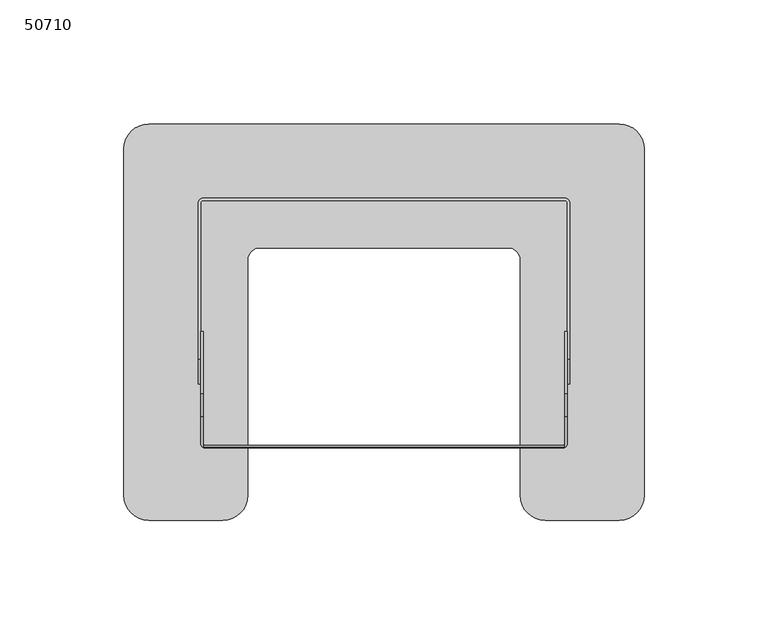
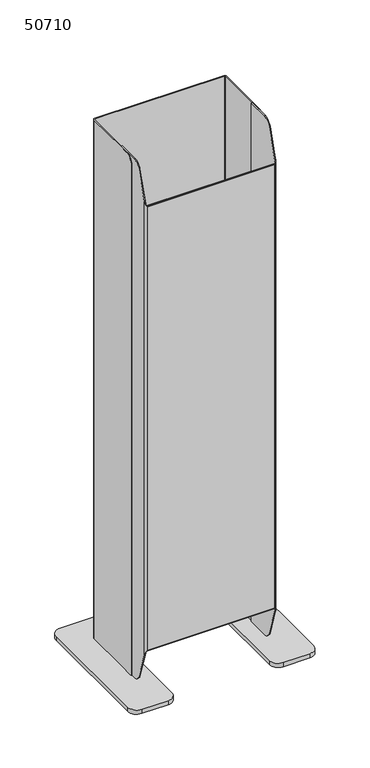
"""IFC4 building model written with IfcOpenShell, lengths in millimetres: furniture geometry, 50710."""

from ifc_helpers import new_model, si_unit, point, frame, frame_2d, origin, origin_with_axes, place, context, project, spatial, polyline, circle_curve, ellipse_curve, trimmed, segment, composite_curve, outline, extrude, source, transform, mapped, element, save
from ifc_brep_helpers import plane_surface, cylinder_surface, revolved_surface, advanced_brep


def furniture_50710_e1efc4d5(model_context):
    return source(origin(), model_context, "Body", "SolidModel", [
        advanced_brep(
        [(74.0, -84.0, 625.0), (73.0, -84.0, 625.0), (73.0, -109.0, 625.0), (74.0, -109.0, 625.0), (-73.0, -84.0, 625.0), (-74.0, -84.0, 625.0), (-74.0, -109.0, 625.0), (-73.0, -109.0, 625.0), (-74.0, -84.0, 5.0), (-73.0, -84.0, 5.0), (-73.0, -109.0, 5.0), (-74.0, -109.0, 5.0), (73.0, -84.0, 5.0), (74.0, -84.0, 5.0), (74.0, -109.0, 5.0), (73.0, -109.0, 5.0), (-73.0, -130.7320508, 580.8171916), (-74.0, -129.0, 586.0996012), (-74.0, -129.0, 43.9003988), (-73.0, -130.7320508, 49.1828084), (-72.0, -131.0, 50.0), (-72.0, -131.0, 580.0), (72.0, -131.0, 580.0), (72.0, -131.0, 50.0), (73.0, -130.7320508, 580.8171916), (73.0, -130.7320508, 49.1828084), (74.0, -129.0, 43.9003988), (74.0, -129.0, 586.0996012), (74.0, -118.5022351, 618.1156906), (74.0, -118.5022351, 11.8843094), (73.0, -118.5022351, 11.8843094), (73.0, -129.0, 49.1877233), (73.0, -129.0, 580.8122767), (73.0, -118.5022351, 618.1156906), (72.0, -130.0, 580.8122767), (72.0, -130.0, 49.1877233), (-72.0, -130.0, 580.8122767), (-72.0, -130.0, 49.1877233), (-73.0, -129.0, 580.8122767), (-73.0, -129.0, 49.1877233), (-73.0, -118.5022351, 618.1156906), (-73.0, -118.5022351, 11.8843094), (-74.0, -118.5022351, 11.8843094), (-74.0, -118.5022351, 618.1156906)],
        [
            (0, 1),
            (1, 2),
            (2, 3),
            (3, 0),
            (4, 5),
            (5, 6),
            (6, 7),
            (7, 4),
            (8, 9),
            (9, 10),
            (10, 11),
            (11, 8),
            (12, 13),
            (13, 14),
            (14, 15),
            (15, 12),
            (16, 17, ellipse_curve(frame((-72.0, -129.0, 586.0996012), z_axis=(0.0, 0.9502235098942147, -0.31156906336207274), x_axis=(0.0, 0.31156906336207274, 0.9502235098942147)), 6.4191225, 2.0)),
            (17, 18),
            (18, 19, ellipse_curve(frame((-72.0, -129.0, 43.9003988), z_axis=(0.0, 0.9502235098942147, 0.311569063362073), x_axis=(0.0, -0.311569063362073, 0.9502235098942146)), 6.4191225, 2.0)),
            (19, 20, ellipse_curve(frame((-72.0, -129.0, 43.9003988), z_axis=(0.0, 0.9502235098942147, 0.311569063362073), x_axis=(0.0, -0.311569063362073, 0.9502235098942146)), 6.4191225, 2.0)),
            (20, 21),
            (21, 16, ellipse_curve(frame((-72.0, -129.0, 586.0996012), z_axis=(0.0, 0.9502235098942147, -0.31156906336207274), x_axis=(0.0, 0.31156906336207274, 0.9502235098942147)), 6.4191225, 2.0)),
            (22, 21),
            (20, 23),
            (23, 22),
            (24, 22, ellipse_curve(frame((72.0, -129.0, 586.0996012), z_axis=(0.0, 0.9502235098942147, -0.31156906336207274), x_axis=(0.0, 0.31156906336207274, 0.9502235098942147)), 6.4191225, 2.0)),
            (23, 25, ellipse_curve(frame((72.0, -129.0, 43.9003988), z_axis=(0.0, 0.9502235098942147, 0.311569063362073), x_axis=(0.0, -0.311569063362073, 0.9502235098942146)), 6.4191225, 2.0)),
            (25, 26, ellipse_curve(frame((72.0, -129.0, 43.9003988), z_axis=(0.0, 0.9502235098942147, 0.311569063362073), x_axis=(0.0, -0.311569063362073, 0.9502235098942146)), 6.4191225, 2.0)),
            (26, 27),
            (27, 24, ellipse_curve(frame((72.0, -129.0, 586.0996012), z_axis=(0.0, 0.9502235098942147, -0.31156906336207274), x_axis=(0.0, 0.31156906336207274, 0.9502235098942147)), 6.4191225, 2.0)),
            (13, 0),
            (3, 28, circle_curve(frame((74.0, -109.0, 615.0), z_axis=(1.0, 0.0, 0.0), x_axis=(0.0, 1.0, 0.0)), 10.0)),
            (28, 27),
            (26, 29),
            (29, 14, circle_curve(frame((74.0, -109.0, 15.0), z_axis=(1.0, 0.0, 0.0), x_axis=(0.0, 1.0, 0.0)), 10.0)),
            (12, 1),
            (15, 30, circle_curve(frame((73.0, -109.0, 15.0), z_axis=(-1.0, 0.0, 0.0), x_axis=(0.0, 1.0, 0.0)), 10.0)),
            (30, 25),
            (25, 31),
            (31, 32),
            (32, 24),
            (24, 33),
            (33, 2, circle_curve(frame((73.0, -109.0, 615.0), z_axis=(-1.0, 0.0, 0.0), x_axis=(0.0, 1.0, 0.0)), 10.0)),
            (34, 32, circle_curve(frame((72.0, -129.0, 580.8122767), z_axis=(0.0, 0.0, 1.0), x_axis=(1.0, 0.0, 0.0)), 1.0)),
            (31, 35, circle_curve(frame((72.0, -129.0, 49.1877233), z_axis=(0.0, 0.0, -1.0), x_axis=(1.0, 0.0, 0.0)), 1.0)),
            (35, 34),
            (36, 34),
            (35, 37),
            (37, 36),
            (38, 36, circle_curve(frame((-72.0, -129.0, 580.8122767), z_axis=(0.0, 0.0, 1.0), x_axis=(1.0, 0.0, 0.0)), 1.0)),
            (37, 39, circle_curve(frame((-72.0, -129.0, 49.1877233), z_axis=(0.0, 0.0, -1.0), x_axis=(1.0, 0.0, 0.0)), 1.0)),
            (39, 38),
            (9, 4),
            (7, 40, circle_curve(frame((-73.0, -109.0, 615.0), z_axis=(1.0, 0.0, 0.0), x_axis=(0.0, 1.0, 0.0)), 10.0)),
            (40, 16),
            (16, 38),
            (39, 19),
            (19, 41),
            (41, 10, circle_curve(frame((-73.0, -109.0, 15.0), z_axis=(1.0, 0.0, 0.0), x_axis=(0.0, 1.0, 0.0)), 10.0)),
            (8, 5),
            (11, 42, circle_curve(frame((-74.0, -109.0, 15.0), z_axis=(-1.0, 0.0, 0.0), x_axis=(0.0, 1.0, 0.0)), 10.0)),
            (42, 18),
            (17, 43),
            (43, 6, circle_curve(frame((-74.0, -109.0, 615.0), z_axis=(-1.0, 0.0, 0.0), x_axis=(0.0, 1.0, 0.0)), 10.0)),
            (24, 16),
            (28, 33),
            (40, 43),
            (19, 25),
            (30, 29),
            (42, 41),
        ],
        [
            plane_surface(frame((-70.0, -129.0, 625.0), z_axis=(0.0, 0.0, 1.0), x_axis=(0.0, 1.0, 0.0))),
            plane_surface(frame((-70.0, -129.0, 5.0), z_axis=(0.0, 0.0, -1.0), x_axis=(0.0, -1.0, 0.0))),
            cylinder_surface(frame((-72.0, -129.0, 5.0), z_axis=(0.0, 0.0, 1.0), x_axis=(1.0, 0.0, 0.0)), 2.0),
            plane_surface(frame((-72.0, -131.0, 625.0), z_axis=(0.0, -1.0, 0.0), x_axis=(0.0, 0.0, -1.0))),
            cylinder_surface(frame((72.0, -129.0, 5.0), z_axis=(0.0, 0.0, 1.0), x_axis=(1.0, 0.0, 0.0)), 2.0),
            plane_surface(frame((74.0, -129.0, 625.0), z_axis=(1.0, 0.0, 0.0), x_axis=(0.0, 0.0, -1.0))),
            plane_surface(frame((74.0, -84.0, 625.0), z_axis=(0.0, 1.0, 0.0), x_axis=(0.0, 0.0, -1.0))),
            plane_surface(frame((73.0, -84.0, 625.0), z_axis=(-1.0, 0.0, 0.0), x_axis=(0.0, 0.0, -1.0))),
            revolved_surface(polyline([(73.0, -129.0, 49.1877233), (73.0, -129.0, 580.8122767)]), (72.0, -129.0, 5.0), (0.0, 0.0, -1.0)),
            plane_surface(frame((72.0, -130.0, 625.0), z_axis=(0.0, 1.0, 0.0), x_axis=(0.0, 0.0, -1.0))),
            revolved_surface(polyline([(-71.0, -129.0, 49.1877233), (-71.0, -129.0, 580.8122767)]), (-72.0, -129.0, 5.0), (0.0, 0.0, -1.0)),
            plane_surface(frame((-73.0, -129.0, 625.0), z_axis=(1.0, 0.0, 0.0), x_axis=(0.0, 0.0, -1.0))),
            plane_surface(frame((-73.0, -84.0, 625.0), z_axis=(0.0, 1.0, 0.0), x_axis=(0.0, 0.0, -1.0))),
            plane_surface(frame((-74.0, -84.0, 625.0), z_axis=(-1.0, 0.0, 0.0), x_axis=(0.0, 0.0, -1.0))),
            plane_surface(frame((105.0, -131.0, 580.0), z_axis=(0.0, -0.9502235098942147, 0.31156906336207274), x_axis=(-1.0, 0.0, 0.0))),
            cylinder_surface(frame((-105.0, -109.0, 615.0), z_axis=(-1.0, 0.0, 0.0), x_axis=(0.0, 1.0, 0.0)), 10.0),
            plane_surface(frame((73.0, -131.0, 580.8122767), z_axis=(0.0, 0.0, 1.0), x_axis=(-1.0, 0.0, 0.0))),
            plane_surface(frame((105.0, -118.5022351, 11.8843094), z_axis=(0.0, -0.9502235098942147, -0.311569063362073), x_axis=(-1.0, 0.0, 0.0))),
            cylinder_surface(frame((-105.0, -109.0, 15.0), z_axis=(-1.0, 0.0, 0.0), x_axis=(0.0, 1.0, 0.0)), 10.0),
            plane_surface(frame((73.0, -123.4452222, 49.1877233), z_axis=(0.0, 0.0, -1.0), x_axis=(-1.0, 0.0, 0.0))),
        ],
        [
            (0, [[1, 2, 3, 4]]),
            (0, [[5, 6, 7, 8]]),
            (1, [[9, 10, 11, 12]]),
            (1, [[13, 14, 15, 16]]),
            (2, [[17, 18, 19, 20, 21, 22]]),
            (3, [[23, -21, 24, 25]]),
            (4, [[26, -25, 27, 28, 29, 30]]),
            (5, [[31, -4, 32, 33, -29, 34, 35, -14]]),
            (6, [[-1, -31, -13, 36]]),
            (7, [[-36, -16, 37, 38, 39, 40, 41, 42, 43, -2]]),
            (8, [[44, -40, 45, 46]]),
            (9, [[47, -46, 48, 49]]),
            (10, [[50, -49, 51, 52]]),
            (11, [[53, -8, 54, 55, 56, -52, 57, 58, 59, -10]]),
            (12, [[-5, -53, -9, 60]]),
            (13, [[-60, -12, 61, 62, -18, 63, 64, -6]]),
            (14, [[-23, -26, 65, -22]]),
            (14, [[66, -42, -30, -33]]),
            (14, [[67, -63, -17, -55]]),
            (15, [[-66, -32, -3, -43]]),
            (15, [[-67, -54, -7, -64]]),
            (16, [[-41, -44, -47, -50, -56, -65]]),
            (17, [[-24, -20, 68, -27]]),
            (17, [[-38, 69, -34, -28]]),
            (17, [[70, -58, -19, -62]]),
            (18, [[-70, -61, -11, -59]]),
            (18, [[-69, -37, -15, -35]]),
            (19, [[-39, -68, -57, -51, -48, -45]]),
        ],
    ),
        advanced_brep(
        [(-74.0, -32.0, 625.0), (-73.0, -31.0, 625.0), (73.0, -31.0, 625.0), (74.0, -32.0, 625.0), (74.0, -84.0, 625.0), (74.0, -95.0, 625.0), (75.0, -95.0, 625.0), (75.0, -84.0, 625.0), (75.0, -32.0, 625.0), (73.0, -30.0, 625.0), (-73.0, -30.0, 625.0), (-75.0, -32.0, 625.0), (-75.0, -84.0, 625.0), (-75.0, -95.0, 625.0), (-74.0, -95.0, 625.0), (-74.0, -84.0, 625.0), (-75.0, -32.0, 5.0), (-73.0, -30.0, 5.0), (73.0, -30.0, 5.0), (75.0, -32.0, 5.0), (75.0, -84.0, 5.0), (75.0, -105.0, 5.0), (74.0, -105.0, 5.0), (74.0, -84.0, 5.0), (74.0, -32.0, 5.0), (73.0, -31.0, 5.0), (-73.0, -31.0, 5.0), (-74.0, -32.0, 5.0), (-74.0, -84.0, 5.0), (-74.0, -105.0, 5.0), (-75.0, -105.0, 5.0), (-75.0, -84.0, 5.0), (-75.0, -105.0, 615.0), (-74.0, -105.0, 615.0), (74.0, -105.0, 615.0), (75.0, -105.0, 615.0)],
        [
            (0, 1, circle_curve(frame((-73.0, -32.0, 625.0), z_axis=(0.0, 0.0, -1.0), x_axis=(1.0, 0.0, 0.0)), 1.0)),
            (1, 2),
            (2, 3, circle_curve(frame((73.0, -32.0, 625.0), z_axis=(0.0, 0.0, -1.0), x_axis=(1.0, 0.0, 0.0)), 1.0)),
            (3, 4),
            (4, 5),
            (5, 6),
            (6, 7),
            (7, 8),
            (8, 9, circle_curve(frame((73.0, -32.0, 625.0), z_axis=(0.0, 0.0, 1.0), x_axis=(1.0, 0.0, 0.0)), 2.0)),
            (9, 10),
            (10, 11, circle_curve(frame((-73.0, -32.0, 625.0), z_axis=(0.0, 0.0, 1.0), x_axis=(1.0, 0.0, 0.0)), 2.0)),
            (11, 12),
            (12, 13),
            (13, 14),
            (14, 15),
            (15, 0),
            (16, 17, circle_curve(frame((-73.0, -32.0, 5.0), z_axis=(0.0, 0.0, -1.0), x_axis=(1.0, 0.0, 0.0)), 2.0)),
            (17, 18),
            (18, 19, circle_curve(frame((73.0, -32.0, 5.0), z_axis=(0.0, 0.0, -1.0), x_axis=(1.0, 0.0, 0.0)), 2.0)),
            (19, 20),
            (20, 21),
            (21, 22),
            (22, 23),
            (23, 24),
            (24, 25, circle_curve(frame((73.0, -32.0, 5.0), z_axis=(0.0, 0.0, 1.0), x_axis=(1.0, 0.0, 0.0)), 1.0)),
            (25, 26),
            (26, 27, circle_curve(frame((-73.0, -32.0, 5.0), z_axis=(0.0, 0.0, 1.0), x_axis=(1.0, 0.0, 0.0)), 1.0)),
            (27, 28),
            (28, 29),
            (29, 30),
            (30, 31),
            (31, 16),
            (11, 16),
            (30, 32),
            (32, 13, circle_curve(frame((-75.0, -95.0, 615.0), z_axis=(-1.0, 0.0, 0.0), x_axis=(0.0, 1.0, 0.0)), 10.0)),
            (29, 33),
            (33, 32),
            (27, 0),
            (14, 33, circle_curve(frame((-74.0, -95.0, 615.0), z_axis=(1.0, 0.0, 0.0), x_axis=(0.0, 1.0, 0.0)), 10.0)),
            (1, 26),
            (25, 2),
            (3, 24),
            (22, 34),
            (34, 5, circle_curve(frame((74.0, -95.0, 615.0), z_axis=(-1.0, 0.0, 0.0), x_axis=(0.0, 1.0, 0.0)), 10.0)),
            (21, 35),
            (35, 34),
            (19, 8),
            (6, 35, circle_curve(frame((75.0, -95.0, 615.0), z_axis=(1.0, 0.0, 0.0), x_axis=(0.0, 1.0, 0.0)), 10.0)),
            (9, 18),
            (17, 10),
        ],
        [
            plane_surface(frame((-75.0, -105.0, 625.0), z_axis=(0.0, 0.0, 1.0), x_axis=(0.0, -1.0, 0.0))),
            plane_surface(frame((-75.0, -105.0, 5.0), z_axis=(0.0, 0.0, -1.0), x_axis=(0.0, 1.0, 0.0))),
            plane_surface(frame((-75.0, -32.0, 625.0), z_axis=(-1.0, 0.0, 0.0), x_axis=(0.0, 0.0, -1.0))),
            plane_surface(frame((-75.0, -105.0, 625.0), z_axis=(0.0, -1.0, 0.0), x_axis=(0.0, 0.0, -1.0))),
            plane_surface(frame((-74.0, -105.0, 625.0), z_axis=(1.0, 0.0, 0.0), x_axis=(0.0, 0.0, -1.0))),
            plane_surface(frame((-73.0, -31.0, 625.0), z_axis=(0.0, -1.0, 0.0), x_axis=(0.0, 0.0, -1.0))),
            plane_surface(frame((74.0, -32.0, 625.0), z_axis=(-1.0, 0.0, 0.0), x_axis=(0.0, 0.0, -1.0))),
            plane_surface(frame((74.0, -105.0, 625.0), z_axis=(0.0, -1.0, 0.0), x_axis=(0.0, 0.0, -1.0))),
            plane_surface(frame((75.0, -105.0, 625.0), z_axis=(1.0, 0.0, 0.0), x_axis=(0.0, 0.0, -1.0))),
            plane_surface(frame((73.0, -30.0, 625.0), z_axis=(0.0, 1.0, 0.0), x_axis=(0.0, 0.0, -1.0))),
            cylinder_surface(frame((-105.0, -95.0, 615.0), z_axis=(-1.0, 0.0, 0.0), x_axis=(0.0, 1.0, 0.0)), 10.0),
            revolved_surface(polyline([(-72.0, -32.0, 5.0), (-72.0, -32.0, 625.0)]), (-73.0, -32.0, 5.0), (0.0, 0.0, -1.0)),
            revolved_surface(polyline([(74.0, -32.0, 5.0), (74.0, -32.0, 625.0)]), (73.0, -32.0, 5.0), (0.0, 0.0, -1.0)),
            cylinder_surface(frame((73.0, -32.0, 5.0), z_axis=(0.0, 0.0, 1.0), x_axis=(1.0, 0.0, 0.0)), 2.0),
            cylinder_surface(frame((-73.0, -32.0, 5.0), z_axis=(0.0, 0.0, 1.0), x_axis=(1.0, 0.0, 0.0)), 2.0),
        ],
        [
            (0, [[1, 2, 3, 4, 5, 6, 7, 8, 9, 10, 11, 12, 13, 14, 15, 16]]),
            (1, [[17, 18, 19, 20, 21, 22, 23, 24, 25, 26, 27, 28, 29, 30, 31, 32]]),
            (2, [[33, -32, -31, 34, 35, -13, -12]]),
            (3, [[-30, 36, 37, -34]]),
            (4, [[38, -16, -15, 39, -36, -29, -28]]),
            (5, [[-2, 40, -26, 41]]),
            (6, [[42, -24, -23, 43, 44, -5, -4]]),
            (7, [[-22, 45, 46, -43]]),
            (8, [[47, -8, -7, 48, -45, -21, -20]]),
            (9, [[-10, 49, -18, 50]]),
            (10, [[-6, -44, -46, -48]]),
            (10, [[-14, -35, -37, -39]]),
            (11, [[-1, -38, -27, -40]]),
            (12, [[-3, -41, -25, -42]]),
            (13, [[-9, -47, -19, -49]]),
            (14, [[-11, -50, -17, -33]]),
        ],
    ),
        extrude(outline(composite_curve([segment(polyline([(-105.0, -150.0), (-105.0, -10.0)]), True, "CONTINUOUS"), segment(trimmed(circle_curve(frame_2d((-95.0, -10.0)), 10.0), [point((-105.0, -10.0))], [point((-95.0, 0.0))], False, "CARTESIAN"), True, "CONTINUOUS"), segment(polyline([(-95.0, 0.0), (95.0, 0.0)]), True, "CONTINUOUS"), segment(trimmed(circle_curve(frame_2d((95.0, -10.0)), 10.0), [point((95.0, 0.0))], [point((105.0, -10.0))], False, "CARTESIAN"), True, "CONTINUOUS"), segment(polyline([(105.0, -10.0), (105.0, -150.0)]), True, "CONTINUOUS"), segment(trimmed(circle_curve(frame_2d((95.0, -150.0)), 10.0), [point((105.0, -150.0))], [point((95.0, -160.0))], False, "CARTESIAN"), True, "CONTINUOUS"), segment(polyline([(95.0, -160.0), (65.0, -160.0)]), True, "CONTINUOUS"), segment(trimmed(circle_curve(frame_2d((65.0, -150.0)), 10.0), [point((65.0, -160.0))], [point((55.0, -150.0))], False, "CARTESIAN"), True, "CONTINUOUS"), segment(polyline([(55.0, -150.0), (55.0, -55.0)]), True, "CONTINUOUS"), segment(trimmed(circle_curve(frame_2d((50.0, -55.0)), 5.0), [point((55.0, -55.0))], [point((50.0, -50.0))], True, "CARTESIAN"), True, "CONTINUOUS"), segment(polyline([(50.0, -50.0), (-50.0, -50.0)]), True, "CONTINUOUS"), segment(trimmed(circle_curve(frame_2d((-50.0, -55.0)), 5.0), [point((-50.0, -50.0))], [point((-55.0, -55.0))], True, "CARTESIAN"), True, "CONTINUOUS"), segment(polyline([(-55.0, -55.0), (-55.0, -150.0)]), True, "CONTINUOUS"), segment(trimmed(circle_curve(frame_2d((-65.0, -150.0)), 10.0), [point((-55.0, -150.0))], [point((-65.0, -160.0))], False, "CARTESIAN"), True, "CONTINUOUS"), segment(polyline([(-65.0, -160.0), (-95.0, -160.0)]), True, "CONTINUOUS"), segment(trimmed(circle_curve(frame_2d((-95.0, -150.0)), 10.0), [point((-95.0, -160.0))], [point((-105.0, -150.0))], False, "CARTESIAN"), True, "CONTINUOUS")], self_intersect=False)), origin_with_axes(), (0.0, 0.0, 1.0), 5.0),
    ])


if __name__ == "__main__":
    model = new_model("IFC4")
    model_context = context("Model", 3, world=origin())
    ifc_project = project(units=[si_unit("LENGTHUNIT", "METRE", prefix="MILLI")], contexts=[model_context])
    site = spatial("IfcSite", under=ifc_project)
    building = spatial("IfcBuilding", under=site)
    placement = place(None, origin())
    furniture_50710_shape = furniture_50710_e1efc4d5(model_context)
    element("IfcFurniture", 1, ObjectType="50710", at=placement, inside=building, context=model_context, shape_type="MappedRepresentation", body=[
        mapped(furniture_50710_shape, transform((0.0, 0.0, 0.0), x_axis=(1.0, 0.0, 0.0), y_axis=(0.0, 1.0, 0.0), z_axis=(0.0, 0.0, 1.0))),
    ])
    save(model, "model.ifc")
